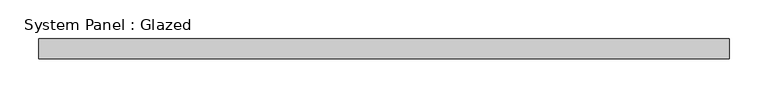
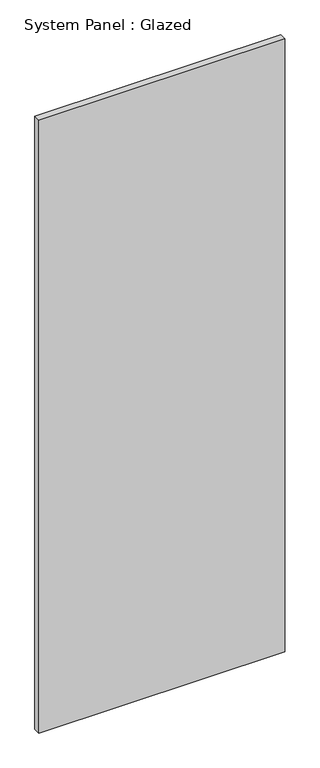
"""IFC4 building model written with IfcOpenShell, lengths in millimetres: plate geometry, System Panel : Glazed."""

from ifc_helpers import new_model, si_unit, origin, origin_with_axes, place, context, project, spatial, polyline, outline, extrude, source, transform, mapped, element, save


def system_panel_glazed_74160ee6(model_context):
    return source(origin(), model_context, "Body", "SweptSolid", [
        extrude(outline(polyline([(444.5, 19.05), (-444.5, 19.05), (-444.5, 44.45), (444.5, 44.45), (444.5, 19.05)])), origin_with_axes(), (0.0, 0.0, 1.0), 2343.15),
    ])


if __name__ == "__main__":
    model = new_model("IFC4")
    model_context = context("Model", 3, world=origin())
    ifc_project = project(units=[si_unit("LENGTHUNIT", "METRE", prefix="MILLI")], contexts=[model_context])
    site = spatial("IfcSite", under=ifc_project)
    building = spatial("IfcBuilding", under=site)
    placement = place(None, origin())
    system_panel_glazed_shape = system_panel_glazed_74160ee6(model_context)
    element("IfcPlate", 1, ObjectType="System Panel : Glazed", at=placement, inside=building, context=model_context, shape_type="MappedRepresentation", body=[
        mapped(system_panel_glazed_shape, transform((0.0, 0.0, 0.0), x_axis=(1.0, 0.0, 0.0), y_axis=(0.0, 1.0, 0.0), z_axis=(0.0, 0.0, 1.0))),
    ])
    save(model, "model.ifc")
